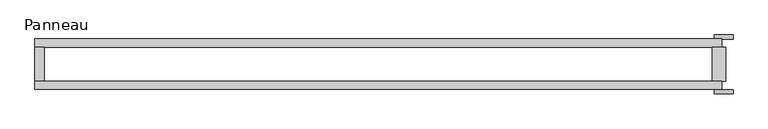
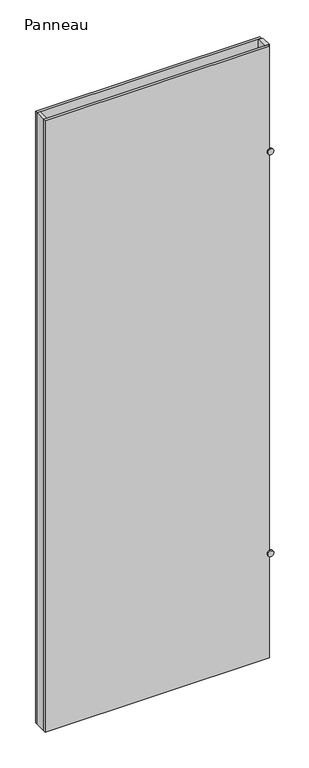
"""IFC4 building model written with IfcOpenShell, lengths in millimetres: plate geometry, Panneau."""

import ifcopenshell
import ifcopenshell.guid

model = None  # the IFC model being written
_history = None  # IfcOwnerHistory: only IFC2X3 demands one
_inside = {}  # id of a spatial element -> (the spatial element, [elements in it])
_under = {}  # id of a project, library or spatial element -> (it, [spatial elements below it])
_declared = {}  # id of a project -> (the project, [libraries it declares])
_typed = {}  # id of a type object -> (the type object, [elements of that type])
_made_of = {}  # id of a material, layer set ... -> (it, [elements and type objects made of it])


def new_model(schema):
    """Start an empty IFC model of exactly this schema.

    Asked for "IFC4X3", IfcOpenShell would pick the latest addendum, in which some entities
    have other attributes; the version numbers below select the first issue.
    IFC2X3 requires an IfcOwnerHistory on every rooted entity: one is made here for all.
    """
    global model, _history
    if schema == "IFC4X3":
        model = ifcopenshell.file(schema_version=(4, 3, 0, 0))
    else:
        model = ifcopenshell.file(schema=schema)
    _inside.clear()
    _under.clear()
    _declared.clear()
    _typed.clear()
    _made_of.clear()
    _history = None
    if model.schema == "IFC2X3":
        org = make("IfcOrganization", Name="unknown")
        user = make(
            "IfcPersonAndOrganization",
            ThePerson=make("IfcPerson", FamilyName="unknown"),
            TheOrganization=org,
        )
        app = make(
            "IfcApplication",
            ApplicationDeveloper=org,
            Version="unknown",
            ApplicationFullName="unknown",
            ApplicationIdentifier="unknown",
        )
        _history = make(
            "IfcOwnerHistory",
            OwningUser=user,
            OwningApplication=app,
            ChangeAction="ADDED",
            CreationDate=0,
        )
    return model


def make(cls, **values):
    """One entity of the class cls with the attributes given. An attribute that is None is left unset."""
    return model.create_entity(
        cls, **{name: value for name, value in values.items() if value is not None}
    )


def rooted(cls, **values):
    """An entity with a GlobalId (a new one), such as an element, a storey or a relation."""
    return make(cls, GlobalId=ifcopenshell.guid.new(), OwnerHistory=_history, **values)


def si_unit(unit_type, name, prefix=None):
    """IfcSIUnit, for example si_unit("LENGTHUNIT", "METRE", prefix="MILLI")."""
    return make("IfcSIUnit", UnitType=unit_type, Prefix=prefix, Name=name)


def assignment(units):
    """IfcUnitAssignment: the units of a project."""
    return None if units is None else make("IfcUnitAssignment", Units=units)


def point(xyz):
    """IfcCartesianPoint."""
    return None if xyz is None else make("IfcCartesianPoint", Coordinates=xyz)


def direction(xyz):
    """IfcDirection."""
    return None if xyz is None else make("IfcDirection", DirectionRatios=xyz)


def frame(location, z_axis=None, x_axis=None):
    """IfcAxis2Placement3D, a coordinate frame: its origin and axes. An axis left out is left unset."""
    return make(
        "IfcAxis2Placement3D",
        Location=point(location),
        Axis=direction(z_axis),
        RefDirection=direction(x_axis),
    )


def frame_2d(location, x_axis=None):
    """IfcAxis2Placement2D, a coordinate frame in the plane: its origin and x axis."""
    return make(
        "IfcAxis2Placement2D", Location=point(location), RefDirection=direction(x_axis)
    )


def origin():
    """The frame at (0, 0, 0) with its axes left unset."""
    return frame((0.0, 0.0, 0.0))


def origin_with_axes():
    """The frame at (0, 0, 0) with the z axis (0, 0, 1) and the x axis (1, 0, 0) written out."""
    return frame((0.0, 0.0, 0.0), z_axis=(0.0, 0.0, 1.0), x_axis=(1.0, 0.0, 0.0))


def place(relative_to, where):
    """IfcLocalPlacement: puts the frame where relative to a parent placement (None: the world)."""
    return make(
        "IfcLocalPlacement", PlacementRelTo=relative_to, RelativePlacement=where
    )


def context(
    kind, dimensions, precision=None, world=None, true_north=None, identifier=None
):
    """IfcGeometricRepresentationContext, for example the 3D "Model" context."""
    return make(
        "IfcGeometricRepresentationContext",
        ContextIdentifier=identifier,
        ContextType=kind,
        CoordinateSpaceDimension=dimensions,
        Precision=precision,
        WorldCoordinateSystem=world,
        TrueNorth=true_north,
    )


def project(units=None, contexts=None):
    """IfcProject with its units and contexts."""
    return rooted(
        "IfcProject",
        Name="project",
        RepresentationContexts=contexts,
        UnitsInContext=assignment(units),
    )


def spatial(cls, under=None, at=None, **own):
    """A site, building, storey or space (cls), placed at a placement, below another one or the project."""
    s = rooted(cls, ObjectPlacement=at, **own)
    if under is not None:
        _under.setdefault(under.id(), (under, []))[1].append(s)
    return s


def polyline(points):
    """IfcPolyline through the points."""
    return make("IfcPolyline", Points=[point(p) for p in points])


def circle_curve(where, radius):
    """IfcCircle in the frame where."""
    return make("IfcCircle", Position=where, Radius=radius)


def trimmed(basis, trim1, trim2, sense, master):
    """IfcTrimmedCurve: the piece of a basis curve between two trims."""
    return make(
        "IfcTrimmedCurve",
        BasisCurve=basis,
        Trim1=trim1,
        Trim2=trim2,
        SenseAgreement=sense,
        MasterRepresentation=master,
    )


def segment(curve, same_sense, transition):
    """IfcCompositeCurveSegment."""
    return make(
        "IfcCompositeCurveSegment",
        Transition=transition,
        SameSense=same_sense,
        ParentCurve=curve,
    )


def composite_curve(segments, self_intersect=None):
    """IfcCompositeCurve: segments joined end to end."""
    return make("IfcCompositeCurve", Segments=segments, SelfIntersect=self_intersect)


def outline(outer, holes=None, kind="AREA"):
    """IfcArbitraryClosedProfileDef: a profile drawn as a closed curve; with holes, ...WithVoids."""
    if holes is None:
        return make("IfcArbitraryClosedProfileDef", ProfileType=kind, OuterCurve=outer)
    return make(
        "IfcArbitraryProfileDefWithVoids",
        ProfileType=kind,
        OuterCurve=outer,
        InnerCurves=holes,
    )


def extrude(swept, where, along, depth):
    """IfcExtrudedAreaSolid: the profile swept, set in the frame where, extruded along a direction by depth."""
    return make(
        "IfcExtrudedAreaSolid",
        SweptArea=swept,
        Position=where,
        ExtrudedDirection=direction(along),
        Depth=depth,
    )


def shape(context_of_items, identifier, shape_type, items):
    """IfcShapeRepresentation: the items that make up one representation, for example the "Body"."""
    return make(
        "IfcShapeRepresentation",
        ContextOfItems=context_of_items,
        RepresentationIdentifier=identifier,
        RepresentationType=shape_type,
        Items=items,
    )


def source(mapping_origin, context_of_items, identifier, shape_type, items):
    """IfcRepresentationMap: a shape defined once, which mapped items show again and again."""
    return make(
        "IfcRepresentationMap",
        MappingOrigin=mapping_origin,
        MappedRepresentation=shape(context_of_items, identifier, shape_type, items),
    )


def transform(
    local_origin,
    x_axis=None,
    y_axis=None,
    z_axis=None,
    scale=None,
    scale2=None,
    scale3=None,
    uniform=True,
):
    """IfcCartesianTransformationOperator3D, or its non-uniform kind. x_axis, y_axis, z_axis: its Axis1, 2, 3."""
    if uniform:
        return make(
            "IfcCartesianTransformationOperator3D",
            Axis1=direction(x_axis),
            Axis2=direction(y_axis),
            LocalOrigin=point(local_origin),
            Scale=scale,
            Axis3=direction(z_axis),
        )
    return make(
        "IfcCartesianTransformationOperator3DnonUniform",
        Axis1=direction(x_axis),
        Axis2=direction(y_axis),
        LocalOrigin=point(local_origin),
        Scale=scale,
        Axis3=direction(z_axis),
        Scale2=scale2,
        Scale3=scale3,
    )


def mapped(mapping_source, mapping_target):
    """IfcMappedItem: shows the shape of a source again, moved by a transform."""
    return make(
        "IfcMappedItem", MappingSource=mapping_source, MappingTarget=mapping_target
    )


def made_of(thing, what):
    """Note that an element or type object is made of a material, layer set ...; save() writes the relation."""
    if what is not None:
        _made_of.setdefault(what.id(), (what, []))[1].append(thing)
    return thing


def element(
    cls,
    number,
    at=None,
    inside=None,
    cuts=None,
    type_object=None,
    material=None,
    context=None,
    identifier="Body",
    shape_type=None,
    held_by="IfcProductDefinitionShape",
    body=None,
    shapes=None,
    **own,
):
    """One element of the class cls, such as IfcWall. Its Tag is "e" and its number.

    at: its placement. inside: the storey or other place that contains it. cuts: it is an
    opening in that element (IfcRelVoidsElement). A single representation is given by context,
    identifier, shape_type and body (its items); several are given by shapes. held_by: the class
    of the entity that holds the representations. save() writes the other relations.
    """
    e = rooted(cls, Tag="e%d" % number, ObjectPlacement=at, **own)
    if body is not None:
        shapes = [shape(context, identifier, shape_type, body)]
    if shapes is not None:
        e.Representation = make(held_by, Representations=shapes)
    if inside is not None:
        _inside.setdefault(inside.id(), (inside, []))[1].append(e)
    if cuts is not None:
        rooted(
            "IfcRelVoidsElement", RelatingBuildingElement=cuts, RelatedOpeningElement=e
        )
    if type_object is not None:
        _typed.setdefault(type_object.id(), (type_object, []))[1].append(e)
    return made_of(e, material)


def aggregate(whole, parts):
    """IfcRelAggregates: a whole, such as a stair, and the parts it consists of."""
    return rooted("IfcRelAggregates", RelatingObject=whole, RelatedObjects=parts)


def save(model, path):
    """Write the relations noted so far, then the file.

    IfcRelAggregates (storeys below a building ...), IfcRelContainedInSpatialStructure (elements
    in a storey), IfcRelDefinesByType, IfcRelAssociatesMaterial and IfcRelDeclares: one each for
    every whole, place, type object, material and project.
    """
    for whole, parts in _under.values():
        aggregate(whole, parts)
    for where, things in _inside.values():
        rooted(
            "IfcRelContainedInSpatialStructure",
            RelatedElements=things,
            RelatingStructure=where,
        )
    for kind, things in _typed.values():
        rooted("IfcRelDefinesByType", RelatedObjects=things, RelatingType=kind)
    for what, things in _made_of.values():
        rooted("IfcRelAssociatesMaterial", RelatedObjects=things, RelatingMaterial=what)
    for by, libraries in _declared.values():
        rooted("IfcRelDeclares", RelatingContext=by, RelatedDefinitions=libraries)
    model.write(path)


def panneau_31e646a6(model_context):
    return source(origin(), model_context, "Body", "SweptSolid", [
        extrude(outline(polyline([(503.1082011, -37.2), (-509.1082011, -37.2), (-509.1082011, -25.2), (503.1082011, -25.2), (503.1082011, -37.2)])), origin_with_axes(), (0.0, 0.0, 1.0), 2915.0),
        extrude(outline(composite_curve([segment(trimmed(circle_curve(frame_2d((500.0, 506.1082011)), 14.0), [point((500.0, 492.1082011))], [point((500.0, 520.1082011))], False, "CARTESIAN"), True, "CONTINUOUS"), segment(trimmed(circle_curve(frame_2d((500.0, 506.1082011)), 14.0), [point((500.0, 520.1082011))], [point((500.0, 492.1082011))], False, "CARTESIAN"), True, "CONTINUOUS")], self_intersect=False)), frame((0.0, 37.2, 0.0), z_axis=(0.0, 1.0, 0.0), x_axis=(0.0, 0.0, 1.0)), (0.0, 0.0, 1.0), 6.0),
        extrude(outline(composite_curve([segment(trimmed(circle_curve(frame_2d((2415.0, 506.1082011)), 14.0), [point((2415.0, 492.1082011))], [point((2415.0, 520.1082011))], False, "CARTESIAN"), True, "CONTINUOUS"), segment(trimmed(circle_curve(frame_2d((2415.0, 506.1082011)), 14.0), [point((2415.0, 520.1082011))], [point((2415.0, 492.1082011))], False, "CARTESIAN"), True, "CONTINUOUS")], self_intersect=False)), frame((0.0, 37.2, 0.0), z_axis=(0.0, 1.0, 0.0), x_axis=(0.0, 0.0, 1.0)), (0.0, 0.0, 1.0), 6.0),
        extrude(outline(composite_curve([segment(trimmed(circle_curve(frame_2d((2415.0, 506.1082011)), 14.0), [point((2415.0, 492.1082011))], [point((2415.0, 520.1082011))], False, "CARTESIAN"), True, "CONTINUOUS"), segment(trimmed(circle_curve(frame_2d((2415.0, 506.1082011)), 14.0), [point((2415.0, 520.1082011))], [point((2415.0, 492.1082011))], False, "CARTESIAN"), True, "CONTINUOUS")], self_intersect=False)), frame((0.0, -43.2, 0.0), z_axis=(0.0, 1.0, 0.0), x_axis=(0.0, 0.0, 1.0)), (0.0, 0.0, 1.0), 6.0),
        extrude(outline(composite_curve([segment(trimmed(circle_curve(frame_2d((500.0, 506.1082011)), 14.0), [point((500.0, 492.1082011))], [point((500.0, 520.1082011))], False, "CARTESIAN"), True, "CONTINUOUS"), segment(trimmed(circle_curve(frame_2d((500.0, 506.1082011)), 14.0), [point((500.0, 520.1082011))], [point((500.0, 492.1082011))], False, "CARTESIAN"), True, "CONTINUOUS")], self_intersect=False)), frame((0.0, -43.2, 0.0), z_axis=(0.0, 1.0, 0.0), x_axis=(0.0, 0.0, 1.0)), (0.0, 0.0, 1.0), 6.0),
        extrude(outline(polyline([(-495.1082011, 25.2), (-495.1082011, -25.2), (-509.1082011, -25.2), (-509.1082011, 25.2), (-495.1082011, 25.2)])), origin_with_axes(), (0.0, 0.0, 1.0), 2915.0),
        extrude(outline(polyline([(509.1082011, 25.2), (509.1082011, -25.2), (489.1082011, -25.2), (489.1082011, 25.2), (509.1082011, 25.2)])), origin_with_axes(), (0.0, 0.0, 1.0), 2915.0),
        extrude(outline(polyline([(503.1082011, 25.2), (-509.1082011, 25.2), (-509.1082011, 37.2), (503.1082011, 37.2), (503.1082011, 25.2)])), origin_with_axes(), (0.0, 0.0, 1.0), 2915.0),
    ])


if __name__ == "__main__":
    model = new_model("IFC4")
    model_context = context("Model", 3, world=origin())
    ifc_project = project(units=[si_unit("LENGTHUNIT", "METRE", prefix="MILLI")], contexts=[model_context])
    site = spatial("IfcSite", under=ifc_project)
    building = spatial("IfcBuilding", under=site)
    placement = place(None, origin())
    panneau_shape = panneau_31e646a6(model_context)
    element("IfcPlate", 1, ObjectType="Panneau", at=placement, inside=building, context=model_context, shape_type="MappedRepresentation", body=[
        mapped(panneau_shape, transform((0.0, 0.0, 0.0), x_axis=(1.0, 0.0, 0.0), y_axis=(0.0, 1.0, 0.0), z_axis=(0.0, 0.0, 1.0))),
    ])
    save(model, "model.ifc")
